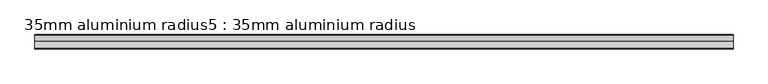
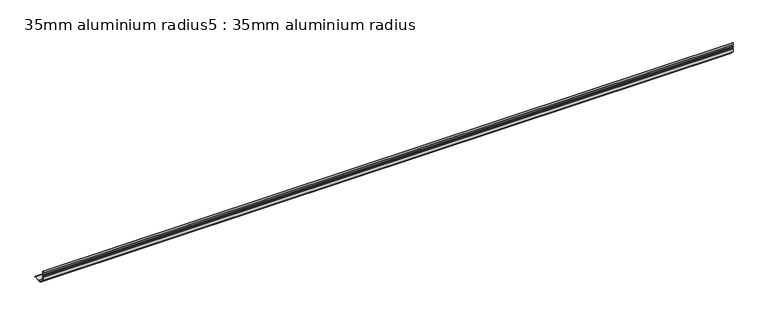
"""IFC4 building model written with IfcOpenShell, lengths in millimetres: proxy geometry, 35mm aluminium radius5 : 35mm aluminium radius."""

from ifc_helpers import new_model, si_unit, point, frame, frame_2d, origin, place, context, project, spatial, polyline, circle_curve, trimmed, segment, composite_curve, outline, extrude, source, transform, mapped, element, save


def proxy_35mm_aluminium_radius5_35mm_aluminium_radius_e1e1e4fd(model_context):
    return source(origin(), model_context, "Body", "SweptSolid", [
        extrude(outline(composite_curve([segment(polyline([(1125.1419877, 16.5750006), (1125.1419877, 27.7875), (1125.9969877, 28.6425), (1125.9969877, 32.7825), (1125.1419877, 33.6375), (1125.1419877, 36.075), (1125.9969877, 36.93), (1125.9969877, 41.07), (1125.1419877, 41.925), (1125.1419877, 48.75)]), True, "CONTINUOUS"), segment(trimmed(circle_curve(frame_2d((1125.1419877, 47.45)), 1.3), [point((1125.1419877, 48.75))], [point((1126.4419877, 47.45))], False, "CARTESIAN"), True, "CONTINUOUS"), segment(polyline([(1126.4419877, 47.45), (1126.4419877, 25.675)]), True, "CONTINUOUS"), segment(trimmed(circle_curve(frame_2d((1150.8169877, 25.675)), 24.375), [point((1126.4419877, 25.675))], [point((1150.8169877, 1.3))], True, "CARTESIAN"), True, "CONTINUOUS"), segment(polyline([(1150.8169877, 1.3), (1172.5919877, 1.3)]), True, "CONTINUOUS"), segment(trimmed(circle_curve(frame_2d((1172.5919877, 0.0)), 1.3), [point((1172.5919877, 1.3))], [point((1173.8919877, 0.0))], False, "CARTESIAN"), True, "CONTINUOUS"), segment(polyline([(1173.8919877, 0.0), (1167.0669877, 0.0), (1166.2119877, 0.855), (1162.0719877, 0.855), (1161.2169877, 0.0), (1158.7794877, 0.0), (1157.9244877, 0.855), (1153.7844877, 0.855), (1152.9294877, 0.0), (1141.7169883, 0.0)]), True, "CONTINUOUS"), segment(trimmed(circle_curve(frame_2d((1137.866674, -0.6205482)), 3.9), [point((1141.7169883, 0.0))], [point((1139.7255982, 2.807921))], True, "CARTESIAN"), True, "CONTINUOUS"), segment(trimmed(circle_curve(frame_2d((1150.8169877, 25.675)), 25.415), [point((1139.7255982, 2.807921))], [point((1127.9499087, 14.5836105))], False, "CARTESIAN"), True, "CONTINUOUS"), segment(trimmed(circle_curve(frame_2d((1124.5214395, 12.7246863)), 3.9), [point((1127.9499087, 14.5836105))], [point((1125.1419877, 16.5750006))], True, "CARTESIAN"), True, "CONTINUOUS")], self_intersect=False)), frame((9564.6309284, 0.0, 0.0), z_axis=(1.0, 0.0, 0.0), x_axis=(0.0, 1.0, 0.0)), (0.0, 0.0, 1.0), 2400.0),
    ])


if __name__ == "__main__":
    model = new_model("IFC4")
    model_context = context("Model", 3, world=origin())
    ifc_project = project(units=[si_unit("LENGTHUNIT", "METRE", prefix="MILLI")], contexts=[model_context])
    site = spatial("IfcSite", under=ifc_project)
    building = spatial("IfcBuilding", under=site)
    placement = place(None, origin())
    proxy_35mm_aluminium_radius5_35mm_aluminium_radius_shape = proxy_35mm_aluminium_radius5_35mm_aluminium_radius_e1e1e4fd(model_context)
    element("IfcBuildingElementProxy", 1, Name="35mm aluminium radius5 : 35mm aluminium radius", ObjectType="35mm aluminium radius5 : 35mm aluminium radius", at=placement, inside=building, context=model_context, shape_type="MappedRepresentation", body=[
        mapped(proxy_35mm_aluminium_radius5_35mm_aluminium_radius_shape, transform((0.0, 0.0, 0.0), x_axis=(1.0, 0.0, 0.0), y_axis=(0.0, 1.0, 0.0), z_axis=(0.0, 0.0, 1.0))),
    ])
    save(model, "model.ifc")
